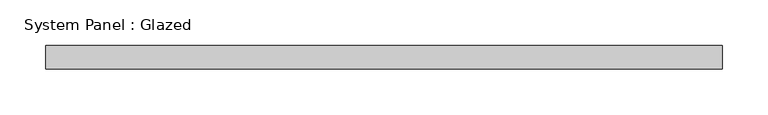
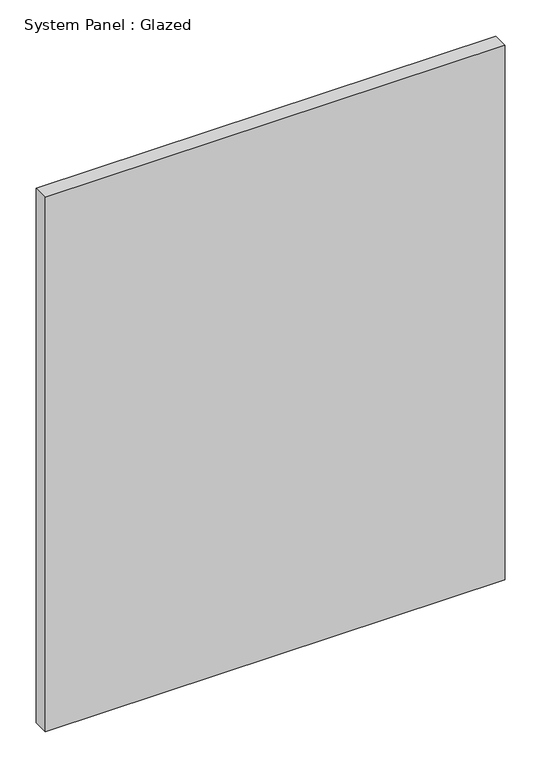
"""IFC4 building model written with IfcOpenShell, lengths in millimetres: plate geometry, System Panel : Glazed."""

from ifc_helpers import new_model, si_unit, origin, origin_with_axes, place, context, project, spatial, polyline, outline, extrude, source, transform, mapped, element, save


def system_panel_glazed_eae854ca(model_context):
    return source(origin(), model_context, "Body", "SweptSolid", [
        extrude(outline(polyline([(368.25, 19.05), (-368.25, 19.05), (-368.25, 44.45), (368.25, 44.45), (368.25, 19.05)])), origin_with_axes(), (0.0, 0.0, 1.0), 904.75),
    ])


if __name__ == "__main__":
    model = new_model("IFC4")
    model_context = context("Model", 3, world=origin())
    ifc_project = project(units=[si_unit("LENGTHUNIT", "METRE", prefix="MILLI")], contexts=[model_context])
    site = spatial("IfcSite", under=ifc_project)
    building = spatial("IfcBuilding", under=site)
    placement = place(None, origin())
    system_panel_glazed_shape = system_panel_glazed_eae854ca(model_context)
    element("IfcPlate", 1, ObjectType="System Panel : Glazed", at=placement, inside=building, context=model_context, shape_type="MappedRepresentation", body=[
        mapped(system_panel_glazed_shape, transform((0.0, 0.0, 0.0), x_axis=(1.0, 0.0, 0.0), y_axis=(0.0, 1.0, 0.0), z_axis=(0.0, 0.0, 1.0))),
    ])
    save(model, "model.ifc")
